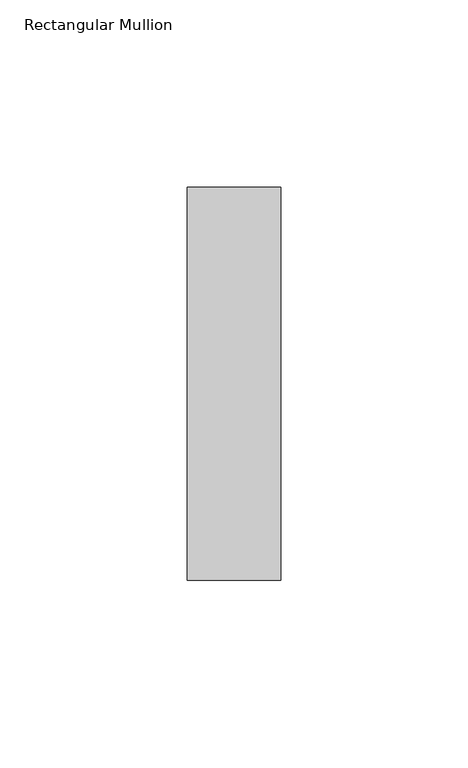
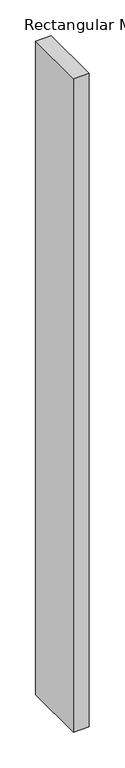
"""IFC4 building model written with IfcOpenShell, lengths in millimetres: member geometry, Rectangular Mullion."""

from ifc_helpers import new_model, si_unit, frame, origin, place, context, project, spatial, polyline, outline, extrude, source, transform, mapped, element, save


def rectangular_mullion_8a8270cf(model_context):
    return source(origin(), model_context, "Body", "SweptSolid", [
        extrude(outline(polyline([(0.0, 52.5), (0.0, -52.5), (-25.0, -52.5), (-25.0, 52.5), (0.0, 52.5)])), frame((0.0, 0.0, -1109.9999997), z_axis=(0.0, 0.0, 1.0), x_axis=(1.0, 0.0, 0.0)), (0.0, 0.0, 1.0), 1109.9999997),
    ])


if __name__ == "__main__":
    model = new_model("IFC4")
    model_context = context("Model", 3, world=origin())
    ifc_project = project(units=[si_unit("LENGTHUNIT", "METRE", prefix="MILLI")], contexts=[model_context])
    site = spatial("IfcSite", under=ifc_project)
    building = spatial("IfcBuilding", under=site)
    placement = place(None, origin())
    rectangular_mullion_shape = rectangular_mullion_8a8270cf(model_context)
    element("IfcMember", 1, ObjectType="Rectangular Mullion", at=placement, inside=building, context=model_context, shape_type="MappedRepresentation", body=[
        mapped(rectangular_mullion_shape, transform((0.0, 0.0, 0.0), x_axis=(1.0, 0.0, 0.0), y_axis=(0.0, 1.0, 0.0), z_axis=(0.0, 0.0, 1.0))),
    ])
    save(model, "model.ifc")
